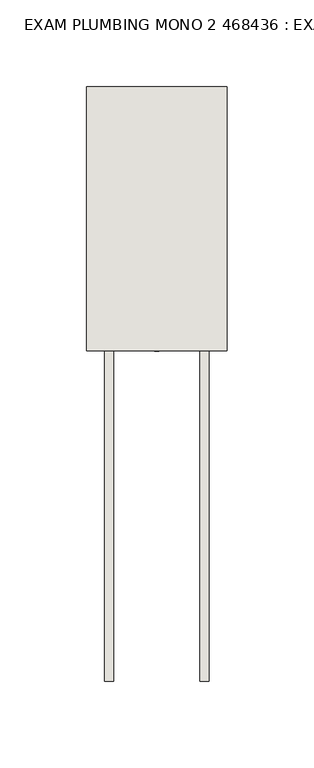
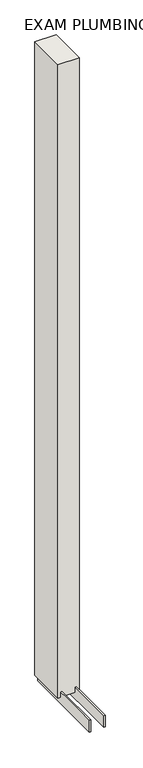
"""IFC4 building model written with IfcOpenShell, lengths in millimetres: wall geometry, EXAM PLUMBING MONO 2 468436 : EXAM PLUMBING MONO 2 468436."""

from ifc_helpers import new_model, si_unit, frame, origin, place, context, project, spatial, polyline, outline, extrude, source, transform, mapped, element, save


def exam_plumbing_mono_2_468436_exam_plumbing_mono_2_468436_63e5c381(model_context):
    return source(origin(), model_context, "Body", "SweptSolid", [
        extrude(outline(polyline([(64721.142211, -54761.5553992), (64721.142211, -54759.0153992), (64723.682211, -54759.0153992), (64723.682211, -54761.5553992), (64721.142211, -54761.5553992)])), frame((0.0, 0.0, 4419.6), z_axis=(0.0, 0.0, 1.0), x_axis=(1.0, 0.0, 0.0)), (0.0, 0.0, 1.0), 2.54),
        extrude(outline(polyline([(64747.4959556, -54952.0628414), (64747.4959556, -54609.1628414), (64752.574711, -54609.1628414), (64752.574711, -54952.0628414), (64747.4959556, -54952.0628414)])), frame((0.0, 0.0, 4418.6602), z_axis=(0.0, 0.0, 1.0), x_axis=(1.0, 0.0, 0.0)), (0.0, 0.0, 1.0), 47.625),
        extrude(outline(polyline([(64747.4959556, -54952.0628414), (64747.4959556, -54609.1628414), (64752.574711, -54609.1628414), (64752.574711, -54952.0628414), (64747.4959556, -54952.0628414)])), frame((0.0, 0.0, 4418.6602), z_axis=(0.0, 0.0, 1.0), x_axis=(1.0, 0.0, 0.0)), (0.0, 0.0, 1.0), 47.625),
        extrude(outline(polyline([(64697.3284664, -54609.1628414), (64697.3284664, -54952.0628414), (64692.249711, -54952.0628414), (64692.249711, -54609.1628414), (64697.3284664, -54609.1628414)])), frame((0.0, 0.0, 4418.6602), z_axis=(0.0, 0.0, 1.0), x_axis=(1.0, 0.0, 0.0)), (0.0, 0.0, 1.0), 47.625),
        extrude(outline(polyline([(64697.3284664, -54609.1628414), (64697.3284664, -54952.0628414), (64692.249711, -54952.0628414), (64692.249711, -54609.1628414), (64697.3284664, -54609.1628414)])), frame((0.0, 0.0, 4418.6602), z_axis=(0.0, 0.0, 1.0), x_axis=(1.0, 0.0, 0.0)), (0.0, 0.0, 1.0), 47.625),
        extrude(outline(polyline([(64763.0670954, -54761.5628414), (64681.7573266, -54761.5628414), (64681.7573266, -54609.1628414), (64763.0670954, -54609.1628414), (64763.0670954, -54761.5628414)])), frame((0.0, 0.0, 4445.0), z_axis=(0.0, 0.0, 1.0), x_axis=(1.0, 0.0, 0.0)), (0.0, 0.0, 1.0), 2562.4536762),
    ])


if __name__ == "__main__":
    model = new_model("IFC4")
    model_context = context("Model", 3, world=origin())
    ifc_project = project(units=[si_unit("LENGTHUNIT", "METRE", prefix="MILLI")], contexts=[model_context])
    site = spatial("IfcSite", under=ifc_project)
    building = spatial("IfcBuilding", under=site)
    placement = place(None, origin())
    exam_plumbing_mono_2_468436_exam_plumbing_mono_2_468436_shape = exam_plumbing_mono_2_468436_exam_plumbing_mono_2_468436_63e5c381(model_context)
    element("IfcWall", 1, ObjectType="EXAM PLUMBING MONO 2 468436 : EXAM PLUMBING MONO 2 468436", at=placement, inside=building, context=model_context, shape_type="MappedRepresentation", body=[
        mapped(exam_plumbing_mono_2_468436_exam_plumbing_mono_2_468436_shape, transform((0.0, 0.0, 0.0), x_axis=(1.0, 0.0, 0.0), y_axis=(0.0, 1.0, 0.0), z_axis=(0.0, 0.0, 1.0))),
    ])
    save(model, "model.ifc")
